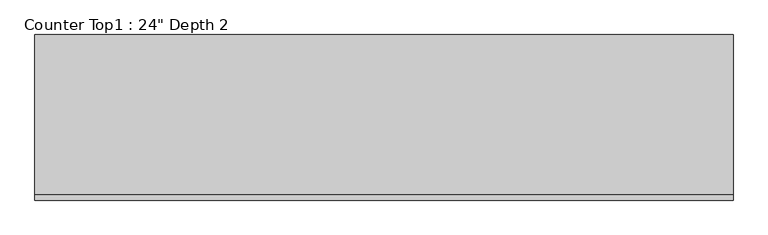
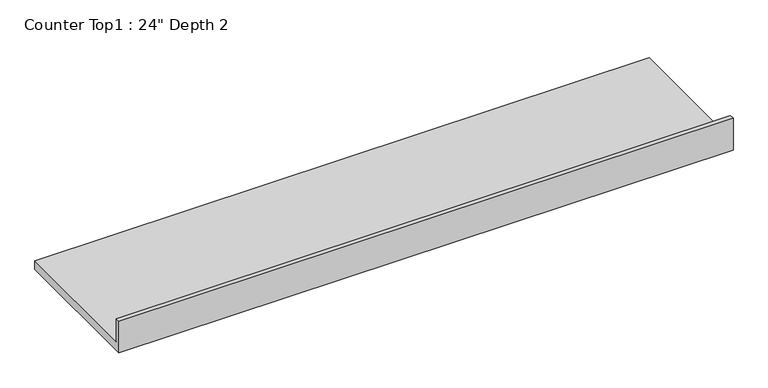
"""IFC4 building model written with IfcOpenShell, lengths in millimetres: furniture geometry."""

from ifc_helpers import new_model, si_unit, frame, origin, place, context, project, spatial, polyline, outline, extrude, source, transform, mapped, element, save


def furniture_99e53406(model_context):
    return source(origin(), model_context, "Body", "SweptSolid", [
        extrude(outline(polyline([(0.0, 1016.0), (19.05, 1016.0), (19.05, 914.4), (609.6, 914.4), (609.6, 876.3), (0.0, 876.3), (0.0, 1016.0)])), frame((-1200.4622951, 0.0, 0.0), z_axis=(1.0, 0.0, 0.0), x_axis=(0.0, 1.0, 0.0)), (0.0, 0.0, 1.0), 2570.2193411),
    ])


if __name__ == "__main__":
    model = new_model("IFC4")
    model_context = context("Model", 3, world=origin())
    ifc_project = project(units=[si_unit("LENGTHUNIT", "METRE", prefix="MILLI")], contexts=[model_context])
    site = spatial("IfcSite", under=ifc_project)
    building = spatial("IfcBuilding", under=site)
    placement = place(None, origin())
    furniture_shape = furniture_99e53406(model_context)
    element("IfcFurniture", 1, ObjectType="Counter Top1 : 24\" Depth 2", at=placement, inside=building, context=model_context, shape_type="MappedRepresentation", body=[
        mapped(furniture_shape, transform((0.0, 0.0, 0.0), x_axis=(1.0, 0.0, 0.0), y_axis=(0.0, 1.0, 0.0), z_axis=(0.0, 0.0, 1.0))),
    ])
    save(model, "model.ifc")
